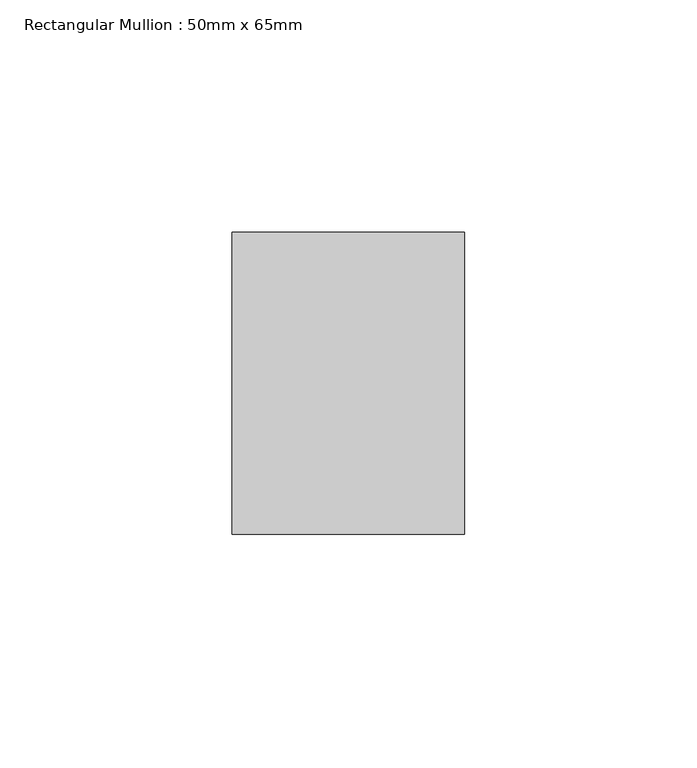
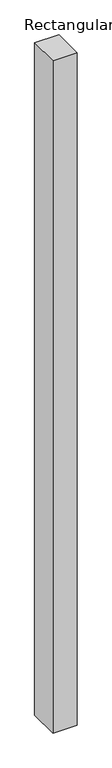
"""IFC4 building model written with IfcOpenShell, lengths in millimetres: member geometry, Rectangular Mullion : 50mm x 65mm."""

from ifc_helpers import new_model, si_unit, frame, origin, place, context, project, spatial, polyline, outline, extrude, source, transform, mapped, element, save


def rectangular_mullion_50mm_x_65mm_fdaab919(model_context):
    return source(origin(), model_context, "Body", "SweptSolid", [
        extrude(outline(polyline([(25.0, 32.5), (25.0, -32.5), (-25.0, -32.5), (-25.0, 32.5), (25.0, 32.5)])), frame((0.0, 0.0, -1473.7164302), z_axis=(0.0, 0.0, 1.0), x_axis=(1.0, 0.0, 0.0)), (0.0, 0.0, 1.0), 1473.7164302),
    ])


if __name__ == "__main__":
    model = new_model("IFC4")
    model_context = context("Model", 3, world=origin())
    ifc_project = project(units=[si_unit("LENGTHUNIT", "METRE", prefix="MILLI")], contexts=[model_context])
    site = spatial("IfcSite", under=ifc_project)
    building = spatial("IfcBuilding", under=site)
    placement = place(None, origin())
    rectangular_mullion_50mm_x_65mm_shape = rectangular_mullion_50mm_x_65mm_fdaab919(model_context)
    element("IfcMember", 1, ObjectType="Rectangular Mullion : 50mm x 65mm", at=placement, inside=building, context=model_context, shape_type="MappedRepresentation", body=[
        mapped(rectangular_mullion_50mm_x_65mm_shape, transform((0.0, 0.0, 0.0), x_axis=(1.0, 0.0, 0.0), y_axis=(0.0, 1.0, 0.0), z_axis=(0.0, 0.0, 1.0))),
    ])
    save(model, "model.ifc")
